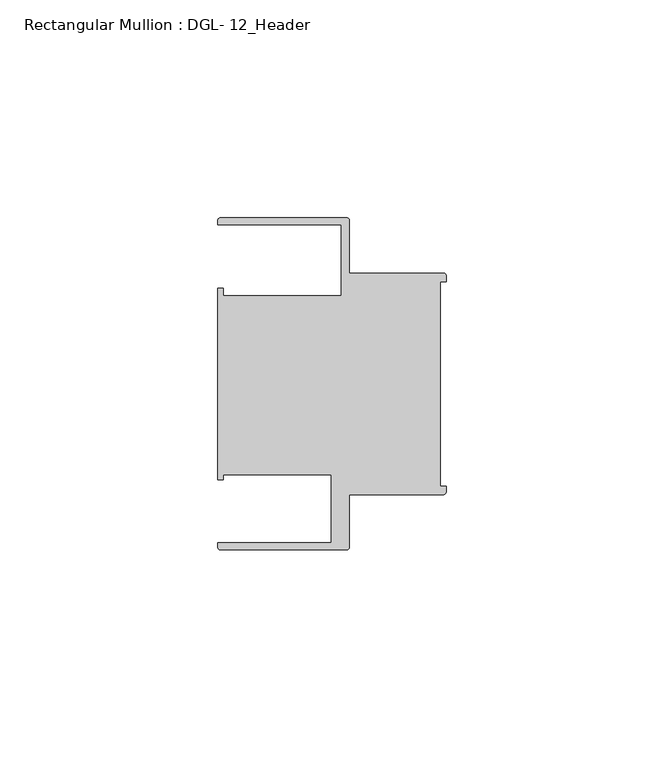
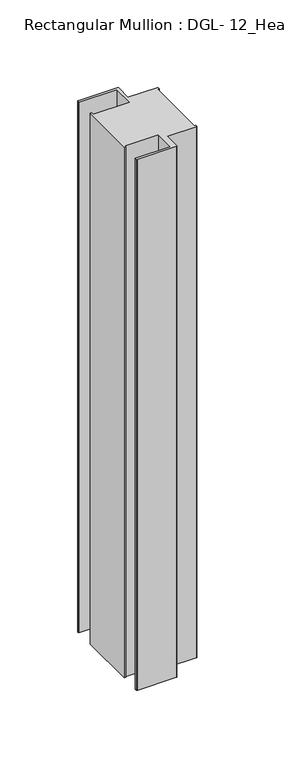
"""IFC4 building model written with IfcOpenShell, lengths in millimetres: member geometry, Rectangular Mullion : DGL- 12_Header."""

from ifc_helpers import new_model, si_unit, point, frame, frame_2d, origin, place, context, project, spatial, polyline, circle_curve, trimmed, segment, composite_curve, outline, extrude, source, transform, mapped, element, save


def rectangular_mullion_dgl_12_header_d1399700(model_context):
    return source(origin(), model_context, "Body", "SweptSolid", [
        extrude(outline(composite_curve([segment(trimmed(circle_curve(frame_2d((-0.5953125, 24.8046875)), 0.5953125), [point((-0.5953125, 25.4))], [point((0.0, 24.8046875))], False, "CARTESIAN"), True, "CONTINUOUS"), segment(polyline([(0.0, 24.8046875), (0.0, 23.4882401), (-1.30175, 23.4882401), (-1.30175, -23.4882401), (0.0, -23.4882401), (0.0, -24.8046875)]), True, "CONTINUOUS"), segment(trimmed(circle_curve(frame_2d((-0.5953125, -24.8046875)), 0.5953125), [point((0.0, -24.8046875))], [point((-0.5953125, -25.4))], False, "CARTESIAN"), True, "CONTINUOUS"), segment(polyline([(-0.5953125, -25.4), (-22.2332076, -25.4), (-22.2332076, -37.5047035)]), True, "CONTINUOUS"), segment(trimmed(circle_curve(frame_2d((-22.8285201, -37.5047035)), 0.5953125), [point((-22.2332076, -37.5047035))], [point((-22.8285201, -38.100016))], False, "CARTESIAN"), True, "CONTINUOUS"), segment(polyline([(-22.8285201, -38.100016), (-51.7968699, -38.100016)]), True, "CONTINUOUS"), segment(trimmed(circle_curve(frame_2d((-51.7968699, -37.5047035)), 0.5953125), [point((-51.7968699, -38.100016))], [point((-52.3921824, -37.5047035))], False, "CARTESIAN"), True, "CONTINUOUS"), segment(polyline([(-52.3921824, -37.5047035), (-52.3921824, -36.512516), (-26.3720794, -36.512516), (-26.3720794, -20.8257348), (-51.1280305, -20.8257348), (-51.1280305, -21.9710976), (-52.3948122, -21.9710976), (-52.3948122, 21.9710976), (-51.1280305, 21.9710976), (-51.1280305, 20.1823589), (-24.0747075, 20.1823589), (-24.0747075, 36.5123462), (-52.3921824, 36.5123462), (-52.3921824, 37.5043667)]), True, "CONTINUOUS"), segment(trimmed(circle_curve(frame_2d((-51.7968699, 37.5043667)), 0.5953125), [point((-52.3921824, 37.5043667))], [point((-51.7968699, 38.0996792))], False, "CARTESIAN"), True, "CONTINUOUS"), segment(polyline([(-51.7968699, 38.0996792), (-22.8285201, 38.0996792)]), True, "CONTINUOUS"), segment(trimmed(circle_curve(frame_2d((-22.8285201, 37.5043667)), 0.5953125), [point((-22.8285201, 38.0996792))], [point((-22.2332076, 37.5043667))], False, "CARTESIAN"), True, "CONTINUOUS"), segment(polyline([(-22.2332076, 37.5043667), (-22.2332076, 25.4), (-0.5953125, 25.4)]), True, "CONTINUOUS")], self_intersect=False)), frame((0.0, 0.0, -417.5160402), z_axis=(0.0, 0.0, 1.0), x_axis=(1.0, 0.0, 0.0)), (0.0, 0.0, 1.0), 417.5160402),
    ])


if __name__ == "__main__":
    model = new_model("IFC4")
    model_context = context("Model", 3, world=origin())
    ifc_project = project(units=[si_unit("LENGTHUNIT", "METRE", prefix="MILLI")], contexts=[model_context])
    site = spatial("IfcSite", under=ifc_project)
    building = spatial("IfcBuilding", under=site)
    placement = place(None, origin())
    rectangular_mullion_dgl_12_header_shape = rectangular_mullion_dgl_12_header_d1399700(model_context)
    element("IfcMember", 1, ObjectType="Rectangular Mullion : DGL- 12_Header", at=placement, inside=building, context=model_context, shape_type="MappedRepresentation", body=[
        mapped(rectangular_mullion_dgl_12_header_shape, transform((0.0, 0.0, 0.0), x_axis=(1.0, 0.0, 0.0), y_axis=(0.0, 1.0, 0.0), z_axis=(0.0, 0.0, 1.0))),
    ])
    save(model, "model.ifc")
